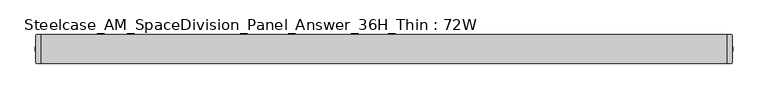
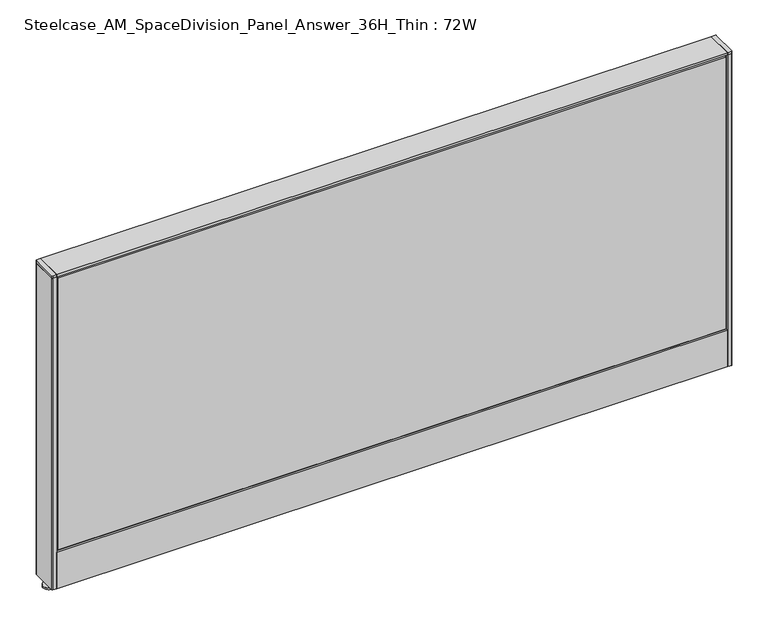
"""IFC4 building model written with IfcOpenShell, lengths in millimetres: furniture geometry, Steelcase_AM_SpaceDivision_Panel_Answer_36H_Thin : 72W."""

from ifc_helpers import new_model, si_unit, point, frame, frame_2d, origin, place, context, project, spatial, polyline, circle_curve, trimmed, segment, composite_curve, outline, extrude, faceted_brep, source, transform, mapped, element, save


def steelcase_am_spacedivision_panel_answer_36h_thin_72w_d95a69a1(model_context):
    return source(origin(), model_context, "Body", "SolidModel", [
        extrude(outline(polyline([(37.3075215, 119.8575157), (25.4000011, 119.8575157), (25.4000011, 120.65), (38.1000194, 120.65), (38.1000194, 15.494), (37.3075215, 15.494), (37.3075215, 119.8575157)])), frame((-914.4, 0.0, 0.0), z_axis=(1.0, 0.0, 0.0), x_axis=(0.0, 1.0, 0.0)), (0.0, 0.0, 1.0), 1828.8),
        extrude(outline(polyline([(-37.3075215, 119.8575157), (-37.3075215, 15.494), (-38.1000194, 15.494), (-38.1000194, 120.65), (-25.4000011, 120.65), (-25.4000011, 119.8575157), (-37.3075215, 119.8575157)])), frame((-914.4, 0.0, 0.0), z_axis=(1.0, 0.0, 0.0), x_axis=(0.0, 1.0, 0.0)), (0.0, 0.0, 1.0), 1828.8),
        extrude(outline(composite_curve([segment(trimmed(circle_curve(frame_2d((914.4, 0.0)), 5.08), [point((919.48, 0.0))], [point((909.32, 0.0))], False, "CARTESIAN"), True, "CONTINUOUS"), segment(trimmed(circle_curve(frame_2d((914.4, 0.0)), 5.08), [point((909.32, 0.0))], [point((919.48, 0.0))], False, "CARTESIAN"), True, "CONTINUOUS")], self_intersect=False)), frame((0.0, 0.0, 5.0799671), z_axis=(0.0, 0.0, 1.0), x_axis=(1.0, 0.0, 0.0)), (0.0, 0.0, 1.0), 10.414),
        extrude(outline(composite_curve([segment(trimmed(circle_curve(frame_2d((914.4, 0.0)), 15.24), [point((929.64, 0.0))], [point((899.16, 0.0))], False, "CARTESIAN"), True, "CONTINUOUS"), segment(trimmed(circle_curve(frame_2d((914.4, 0.0)), 15.24), [point((899.16, 0.0))], [point((929.64, 0.0))], False, "CARTESIAN"), True, "CONTINUOUS")], self_intersect=False)), frame((0.0, 0.0, -3.29e-05), z_axis=(0.0, 0.0, 1.0), x_axis=(1.0, 0.0, 0.0)), (0.0, 0.0, 1.0), 5.08),
        extrude(outline(composite_curve([segment(polyline([(927.1, 36.3220194), (927.1, -36.3219806)]), True, "CONTINUOUS"), segment(trimmed(circle_curve(frame_2d((925.322, -36.3219806)), 1.778), [point((927.1, -36.3219806))], [point((925.322, -38.0999806))], False, "CARTESIAN"), True, "CONTINUOUS"), segment(polyline([(925.322, -38.0999806), (914.4, -38.0999806), (914.4, 38.1000194), (925.322, 38.1000194)]), True, "CONTINUOUS"), segment(trimmed(circle_curve(frame_2d((925.322, 36.3220194)), 1.778), [point((925.322, 38.1000194))], [point((927.1, 36.3220194))], False, "CARTESIAN"), True, "CONTINUOUS")], self_intersect=False)), frame((0.0, 0.0, 914.3999671), z_axis=(0.0, 0.0, 1.0), x_axis=(1.0, 0.0, 0.0)), (0.0, 0.0, 1.0), 6.35),
        extrude(outline(composite_curve([segment(polyline([(927.1, 36.3220194), (927.1, -36.3219806)]), True, "CONTINUOUS"), segment(trimmed(circle_curve(frame_2d((925.322, -36.3219806)), 1.778), [point((927.1, -36.3219806))], [point((925.322, -38.0999806))], False, "CARTESIAN"), True, "CONTINUOUS"), segment(polyline([(925.322, -38.0999806), (914.4, -38.0999806), (914.4, 38.1000194), (925.322, 38.1000194)]), True, "CONTINUOUS"), segment(trimmed(circle_curve(frame_2d((925.322, 36.3220194)), 1.778), [point((925.322, 38.1000194))], [point((927.1, 36.3220194))], False, "CARTESIAN"), True, "CONTINUOUS")], self_intersect=False)), frame((0.0, 0.0, 15.4939671), z_axis=(0.0, 0.0, 1.0), x_axis=(1.0, 0.0, 0.0)), (0.0, 0.0, 1.0), 898.906),
        extrude(outline(composite_curve([segment(trimmed(circle_curve(frame_2d((-914.4, 0.0)), 5.08), [point((-919.48, 0.0))], [point((-909.32, 0.0))], False, "CARTESIAN"), True, "CONTINUOUS"), segment(trimmed(circle_curve(frame_2d((-914.4, 0.0)), 5.08), [point((-909.32, 0.0))], [point((-919.48, 0.0))], False, "CARTESIAN"), True, "CONTINUOUS")], self_intersect=False)), frame((0.0, 0.0, 5.0799671), z_axis=(0.0, 0.0, 1.0), x_axis=(1.0, 0.0, 0.0)), (0.0, 0.0, 1.0), 10.414),
        extrude(outline(composite_curve([segment(trimmed(circle_curve(frame_2d((-914.4, 0.0)), 15.24), [point((-929.64, 0.0))], [point((-899.16, 0.0))], False, "CARTESIAN"), True, "CONTINUOUS"), segment(trimmed(circle_curve(frame_2d((-914.4, 0.0)), 15.24), [point((-899.16, 0.0))], [point((-929.64, 0.0))], False, "CARTESIAN"), True, "CONTINUOUS")], self_intersect=False)), frame((0.0, 0.0, -3.29e-05), z_axis=(0.0, 0.0, 1.0), x_axis=(1.0, 0.0, 0.0)), (0.0, 0.0, 1.0), 5.08),
        extrude(outline(composite_curve([segment(polyline([(-927.1, -36.3220194), (-927.1, 36.3219806)]), True, "CONTINUOUS"), segment(trimmed(circle_curve(frame_2d((-925.322, 36.3219806)), 1.778), [point((-927.1, 36.3219806))], [point((-925.322, 38.0999806))], False, "CARTESIAN"), True, "CONTINUOUS"), segment(polyline([(-925.322, 38.0999806), (-914.4, 38.0999806), (-914.4, -38.1000194), (-925.322, -38.1000194)]), True, "CONTINUOUS"), segment(trimmed(circle_curve(frame_2d((-925.322, -36.3220194)), 1.778), [point((-925.322, -38.1000194))], [point((-927.1, -36.3220194))], False, "CARTESIAN"), True, "CONTINUOUS")], self_intersect=False)), frame((0.0, 0.0, 914.3999671), z_axis=(0.0, 0.0, 1.0), x_axis=(1.0, 0.0, 0.0)), (0.0, 0.0, 1.0), 6.35),
        extrude(outline(composite_curve([segment(polyline([(-927.1, -36.3220194), (-927.1, 36.3219806)]), True, "CONTINUOUS"), segment(trimmed(circle_curve(frame_2d((-925.322, 36.3219806)), 1.778), [point((-927.1, 36.3219806))], [point((-925.322, 38.0999806))], False, "CARTESIAN"), True, "CONTINUOUS"), segment(polyline([(-925.322, 38.0999806), (-914.4, 38.0999806), (-914.4, -38.1000194), (-925.322, -38.1000194)]), True, "CONTINUOUS"), segment(trimmed(circle_curve(frame_2d((-925.322, -36.3220194)), 1.778), [point((-925.322, -38.1000194))], [point((-927.1, -36.3220194))], False, "CARTESIAN"), True, "CONTINUOUS")], self_intersect=False)), frame((0.0, 0.0, 15.4939671), z_axis=(0.0, 0.0, 1.0), x_axis=(1.0, 0.0, 0.0)), (0.0, 0.0, 1.0), 898.906),
        faceted_brep([(909.574, 38.0960553, 909.574), (909.574, 38.0960553, 125.476), (-909.574, 38.0960553, 125.476), (-909.574, 38.0960553, 909.574), (914.4, 33.2700553, 914.4), (-914.4, 33.2700553, 914.4), (-914.4, 33.2700553, 120.65), (914.4, 33.2700553, 120.65)], [[[0, 1, 2, 3]], [[4, 5, 6, 7]], [[4, 0, 3, 5]], [[5, 3, 2, 6]], [[6, 2, 1, 7]], [[7, 1, 0, 4]]]),
        faceted_brep([(909.574, -38.0960553, 909.574), (-909.574, -38.0960553, 909.574), (-909.574, -38.0960553, 125.476), (909.574, -38.0960553, 125.476), (914.4, -33.2700553, 914.4), (914.4, -33.2700553, 120.65), (-914.4, -33.2700553, 120.65), (-914.4, -33.2700553, 914.4)], [[[0, 1, 2, 3]], [[4, 5, 6, 7]], [[4, 7, 1, 0]], [[7, 6, 2, 1]], [[6, 5, 3, 2]], [[5, 4, 0, 3]]]),
        extrude(outline(polyline([(914.4, 38.1000194), (914.4, -38.1000194), (-914.4, -38.1000194), (-914.4, 38.1000194), (914.4, 38.1000194)])), frame((0.0, 0.0, 914.4), z_axis=(0.0, 0.0, 1.0), x_axis=(1.0, 0.0, 0.0)), (0.0, 0.0, 1.0), 6.35),
    ])


if __name__ == "__main__":
    model = new_model("IFC4")
    model_context = context("Model", 3, world=origin())
    ifc_project = project(units=[si_unit("LENGTHUNIT", "METRE", prefix="MILLI")], contexts=[model_context])
    site = spatial("IfcSite", under=ifc_project)
    building = spatial("IfcBuilding", under=site)
    placement = place(None, origin())
    steelcase_am_spacedivision_panel_answer_36h_thin_72w_shape = steelcase_am_spacedivision_panel_answer_36h_thin_72w_d95a69a1(model_context)
    element("IfcFurniture", 1, ObjectType="Steelcase_AM_SpaceDivision_Panel_Answer_36H_Thin : 72W", at=placement, inside=building, context=model_context, shape_type="MappedRepresentation", body=[
        mapped(steelcase_am_spacedivision_panel_answer_36h_thin_72w_shape, transform((0.0, 0.0, 0.0), x_axis=(1.0, 0.0, 0.0), y_axis=(0.0, 1.0, 0.0), z_axis=(0.0, 0.0, 1.0))),
    ])
    save(model, "model.ifc")
